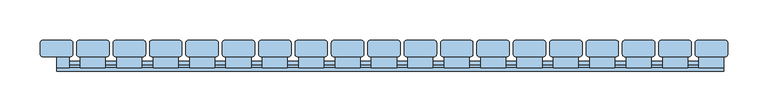
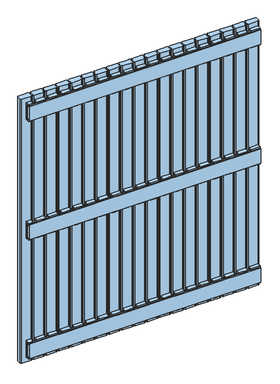
"""IFC4 building model written with IfcOpenShell, lengths in millimetres: window geometry."""

from ifc_helpers import new_model, si_unit, point, frame, frame_2d, origin, place, context, project, spatial, polyline, circle_curve, trimmed, segment, composite_curve, outline, extrude, source, transform, mapped, element, save


def window_81a24db8(model_context):
    return source(origin(), model_context, "Body", "SweptSolid", [
        extrude(outline(polyline([(54.1, 625.0936804), (49.9, 625.0936804), (49.9, 621.0936804), (46.1, 621.0936804), (46.1, 629.0), (60.0, 629.0), (60.0, 566.0), (46.1, 566.0), (46.1, 573.9063196), (49.9, 573.9063196), (49.9, 569.9063196), (54.1, 569.9063196), (54.1, 625.0936804)])), frame((322.0, 0.0, 0.0), z_axis=(1.0, 0.0, 0.0), x_axis=(0.0, 1.0, 0.0)), (0.0, 0.0, 1.0), 31.0),
        extrude(outline(polyline([(54.0, 1017.9063196), (54.0, 1073.0936804), (49.8, 1073.0936804), (49.8, 1069.0936804), (46.0, 1069.0936804), (46.0, 1077.0), (59.9, 1077.0), (59.9, 1014.0), (46.0, 1014.0), (46.0, 1021.9063196), (49.8, 1021.9063196), (49.8, 1017.9063196), (54.0, 1017.9063196)])), frame((322.0, 0.0, 0.0), z_axis=(1.0, 0.0, 0.0), x_axis=(0.0, 1.0, 0.0)), (0.0, 0.0, 1.0), 31.0),
        extrude(outline(polyline([(54.0, 177.0936804), (49.8, 177.0936804), (49.8, 173.0936804), (46.0, 173.0936804), (46.0, 181.0), (59.9, 181.0), (59.9, 118.0), (46.0, 118.0), (46.0, 125.9063196), (49.8, 125.9063196), (49.8, 121.9063196), (54.0, 121.9063196), (54.0, 177.0936804)])), frame((322.0, 0.0, 0.0), z_axis=(1.0, 0.0, 0.0), x_axis=(0.0, 1.0, 0.0)), (0.0, 0.0, 1.0), 31.0),
        extrude(outline(polyline([(54.1, 625.0936804), (49.9, 625.0936804), (49.9, 621.0936804), (46.1, 621.0936804), (46.1, 629.0), (60.0, 629.0), (60.0, 566.0), (46.1, 566.0), (46.1, 573.9063196), (49.9, 573.9063196), (49.9, 569.9063196), (54.1, 569.9063196), (54.1, 625.0936804)])), frame((277.0, 0.0, 0.0), z_axis=(1.0, 0.0, 0.0), x_axis=(0.0, 1.0, 0.0)), (0.0, 0.0, 1.0), 31.0),
        extrude(outline(polyline([(54.0, 1017.9063196), (54.0, 1073.0936804), (49.8, 1073.0936804), (49.8, 1069.0936804), (46.0, 1069.0936804), (46.0, 1077.0), (59.9, 1077.0), (59.9, 1014.0), (46.0, 1014.0), (46.0, 1021.9063196), (49.8, 1021.9063196), (49.8, 1017.9063196), (54.0, 1017.9063196)])), frame((277.0, 0.0, 0.0), z_axis=(1.0, 0.0, 0.0), x_axis=(0.0, 1.0, 0.0)), (0.0, 0.0, 1.0), 31.0),
        extrude(outline(polyline([(54.0, 177.0936804), (49.8, 177.0936804), (49.8, 173.0936804), (46.0, 173.0936804), (46.0, 181.0), (59.9, 181.0), (59.9, 118.0), (46.0, 118.0), (46.0, 125.9063196), (49.8, 125.9063196), (49.8, 121.9063196), (54.0, 121.9063196), (54.0, 177.0936804)])), frame((277.0, 0.0, 0.0), z_axis=(1.0, 0.0, 0.0), x_axis=(0.0, 1.0, 0.0)), (0.0, 0.0, 1.0), 31.0),
        extrude(outline(polyline([(54.1, 625.0936804), (49.9, 625.0936804), (49.9, 621.0936804), (46.1, 621.0936804), (46.1, 629.0), (60.0, 629.0), (60.0, 566.0), (46.1, 566.0), (46.1, 573.9063196), (49.9, 573.9063196), (49.9, 569.9063196), (54.1, 569.9063196), (54.1, 625.0936804)])), frame((232.0, 0.0, 0.0), z_axis=(1.0, 0.0, 0.0), x_axis=(0.0, 1.0, 0.0)), (0.0, 0.0, 1.0), 31.0),
        extrude(outline(polyline([(54.0, 1017.9063196), (54.0, 1073.0936804), (49.8, 1073.0936804), (49.8, 1069.0936804), (46.0, 1069.0936804), (46.0, 1077.0), (59.9, 1077.0), (59.9, 1014.0), (46.0, 1014.0), (46.0, 1021.9063196), (49.8, 1021.9063196), (49.8, 1017.9063196), (54.0, 1017.9063196)])), frame((232.0, 0.0, 0.0), z_axis=(1.0, 0.0, 0.0), x_axis=(0.0, 1.0, 0.0)), (0.0, 0.0, 1.0), 31.0),
        extrude(outline(polyline([(54.0, 177.0936804), (49.8, 177.0936804), (49.8, 173.0936804), (46.0, 173.0936804), (46.0, 181.0), (59.9, 181.0), (59.9, 118.0), (46.0, 118.0), (46.0, 125.9063196), (49.8, 125.9063196), (49.8, 121.9063196), (54.0, 121.9063196), (54.0, 177.0936804)])), frame((232.0, 0.0, 0.0), z_axis=(1.0, 0.0, 0.0), x_axis=(0.0, 1.0, 0.0)), (0.0, 0.0, 1.0), 31.0),
        extrude(outline(polyline([(54.1, 625.0936804), (49.9, 625.0936804), (49.9, 621.0936804), (46.1, 621.0936804), (46.1, 629.0), (60.0, 629.0), (60.0, 566.0), (46.1, 566.0), (46.1, 573.9063196), (49.9, 573.9063196), (49.9, 569.9063196), (54.1, 569.9063196), (54.1, 625.0936804)])), frame((187.0, 0.0, 0.0), z_axis=(1.0, 0.0, 0.0), x_axis=(0.0, 1.0, 0.0)), (0.0, 0.0, 1.0), 31.0),
        extrude(outline(polyline([(54.0, 1017.9063196), (54.0, 1073.0936804), (49.8, 1073.0936804), (49.8, 1069.0936804), (46.0, 1069.0936804), (46.0, 1077.0), (59.9, 1077.0), (59.9, 1014.0), (46.0, 1014.0), (46.0, 1021.9063196), (49.8, 1021.9063196), (49.8, 1017.9063196), (54.0, 1017.9063196)])), frame((187.0, 0.0, 0.0), z_axis=(1.0, 0.0, 0.0), x_axis=(0.0, 1.0, 0.0)), (0.0, 0.0, 1.0), 31.0),
        extrude(outline(polyline([(54.0, 177.0936804), (49.8, 177.0936804), (49.8, 173.0936804), (46.0, 173.0936804), (46.0, 181.0), (59.9, 181.0), (59.9, 118.0), (46.0, 118.0), (46.0, 125.9063196), (49.8, 125.9063196), (49.8, 121.9063196), (54.0, 121.9063196), (54.0, 177.0936804)])), frame((187.0, 0.0, 0.0), z_axis=(1.0, 0.0, 0.0), x_axis=(0.0, 1.0, 0.0)), (0.0, 0.0, 1.0), 31.0),
        extrude(outline(polyline([(54.1, 625.0936804), (49.9, 625.0936804), (49.9, 621.0936804), (46.1, 621.0936804), (46.1, 629.0), (60.0, 629.0), (60.0, 566.0), (46.1, 566.0), (46.1, 573.9063196), (49.9, 573.9063196), (49.9, 569.9063196), (54.1, 569.9063196), (54.1, 625.0936804)])), frame((142.0, 0.0, 0.0), z_axis=(1.0, 0.0, 0.0), x_axis=(0.0, 1.0, 0.0)), (0.0, 0.0, 1.0), 31.0),
        extrude(outline(polyline([(54.0, 1017.9063196), (54.0, 1073.0936804), (49.8, 1073.0936804), (49.8, 1069.0936804), (46.0, 1069.0936804), (46.0, 1077.0), (59.9, 1077.0), (59.9, 1014.0), (46.0, 1014.0), (46.0, 1021.9063196), (49.8, 1021.9063196), (49.8, 1017.9063196), (54.0, 1017.9063196)])), frame((142.0, 0.0, 0.0), z_axis=(1.0, 0.0, 0.0), x_axis=(0.0, 1.0, 0.0)), (0.0, 0.0, 1.0), 31.0),
        extrude(outline(polyline([(54.0, 177.0936804), (49.8, 177.0936804), (49.8, 173.0936804), (46.0, 173.0936804), (46.0, 181.0), (59.9, 181.0), (59.9, 118.0), (46.0, 118.0), (46.0, 125.9063196), (49.8, 125.9063196), (49.8, 121.9063196), (54.0, 121.9063196), (54.0, 177.0936804)])), frame((142.0, 0.0, 0.0), z_axis=(1.0, 0.0, 0.0), x_axis=(0.0, 1.0, 0.0)), (0.0, 0.0, 1.0), 31.0),
        extrude(outline(polyline([(54.1, 625.0936804), (49.9, 625.0936804), (49.9, 621.0936804), (46.1, 621.0936804), (46.1, 629.0), (60.0, 629.0), (60.0, 566.0), (46.1, 566.0), (46.1, 573.9063196), (49.9, 573.9063196), (49.9, 569.9063196), (54.1, 569.9063196), (54.1, 625.0936804)])), frame((97.0, 0.0, 0.0), z_axis=(1.0, 0.0, 0.0), x_axis=(0.0, 1.0, 0.0)), (0.0, 0.0, 1.0), 31.0),
        extrude(outline(polyline([(54.0, 1017.9063196), (54.0, 1073.0936804), (49.8, 1073.0936804), (49.8, 1069.0936804), (46.0, 1069.0936804), (46.0, 1077.0), (59.9, 1077.0), (59.9, 1014.0), (46.0, 1014.0), (46.0, 1021.9063196), (49.8, 1021.9063196), (49.8, 1017.9063196), (54.0, 1017.9063196)])), frame((97.0, 0.0, 0.0), z_axis=(1.0, 0.0, 0.0), x_axis=(0.0, 1.0, 0.0)), (0.0, 0.0, 1.0), 31.0),
        extrude(outline(polyline([(54.0, 177.0936804), (49.8, 177.0936804), (49.8, 173.0936804), (46.0, 173.0936804), (46.0, 181.0), (59.9, 181.0), (59.9, 118.0), (46.0, 118.0), (46.0, 125.9063196), (49.8, 125.9063196), (49.8, 121.9063196), (54.0, 121.9063196), (54.0, 177.0936804)])), frame((97.0, 0.0, 0.0), z_axis=(1.0, 0.0, 0.0), x_axis=(0.0, 1.0, 0.0)), (0.0, 0.0, 1.0), 31.0),
        extrude(outline(polyline([(54.1, 625.0936804), (49.9, 625.0936804), (49.9, 621.0936804), (46.1, 621.0936804), (46.1, 629.0), (60.0, 629.0), (60.0, 566.0), (46.1, 566.0), (46.1, 573.9063196), (49.9, 573.9063196), (49.9, 569.9063196), (54.1, 569.9063196), (54.1, 625.0936804)])), frame((52.0, 0.0, 0.0), z_axis=(1.0, 0.0, 0.0), x_axis=(0.0, 1.0, 0.0)), (0.0, 0.0, 1.0), 31.0),
        extrude(outline(polyline([(54.0, 1017.9063196), (54.0, 1073.0936804), (49.8, 1073.0936804), (49.8, 1069.0936804), (46.0, 1069.0936804), (46.0, 1077.0), (59.9, 1077.0), (59.9, 1014.0), (46.0, 1014.0), (46.0, 1021.9063196), (49.8, 1021.9063196), (49.8, 1017.9063196), (54.0, 1017.9063196)])), frame((52.0, 0.0, 0.0), z_axis=(1.0, 0.0, 0.0), x_axis=(0.0, 1.0, 0.0)), (0.0, 0.0, 1.0), 31.0),
        extrude(outline(polyline([(54.0, 177.0936804), (49.8, 177.0936804), (49.8, 173.0936804), (46.0, 173.0936804), (46.0, 181.0), (59.9, 181.0), (59.9, 118.0), (46.0, 118.0), (46.0, 125.9063196), (49.8, 125.9063196), (49.8, 121.9063196), (54.0, 121.9063196), (54.0, 177.0936804)])), frame((52.0, 0.0, 0.0), z_axis=(1.0, 0.0, 0.0), x_axis=(0.0, 1.0, 0.0)), (0.0, 0.0, 1.0), 31.0),
        extrude(outline(polyline([(54.1, 625.0936804), (49.9, 625.0936804), (49.9, 621.0936804), (46.1, 621.0936804), (46.1, 629.0), (60.0, 629.0), (60.0, 566.0), (46.1, 566.0), (46.1, 573.9063196), (49.9, 573.9063196), (49.9, 569.9063196), (54.1, 569.9063196), (54.1, 625.0936804)])), frame((7.0, 0.0, 0.0), z_axis=(1.0, 0.0, 0.0), x_axis=(0.0, 1.0, 0.0)), (0.0, 0.0, 1.0), 31.0),
        extrude(outline(polyline([(54.0, 1017.9063196), (54.0, 1073.0936804), (49.8, 1073.0936804), (49.8, 1069.0936804), (46.0, 1069.0936804), (46.0, 1077.0), (59.9, 1077.0), (59.9, 1014.0), (46.0, 1014.0), (46.0, 1021.9063196), (49.8, 1021.9063196), (49.8, 1017.9063196), (54.0, 1017.9063196)])), frame((7.0, 0.0, 0.0), z_axis=(1.0, 0.0, 0.0), x_axis=(0.0, 1.0, 0.0)), (0.0, 0.0, 1.0), 31.0),
        extrude(outline(polyline([(54.0, 177.0936804), (49.8, 177.0936804), (49.8, 173.0936804), (46.0, 173.0936804), (46.0, 181.0), (59.9, 181.0), (59.9, 118.0), (46.0, 118.0), (46.0, 125.9063196), (49.8, 125.9063196), (49.8, 121.9063196), (54.0, 121.9063196), (54.0, 177.0936804)])), frame((7.0, 0.0, 0.0), z_axis=(1.0, 0.0, 0.0), x_axis=(0.0, 1.0, 0.0)), (0.0, 0.0, 1.0), 31.0),
        extrude(outline(polyline([(54.1, 625.0936804), (49.9, 625.0936804), (49.9, 621.0936804), (46.1, 621.0936804), (46.1, 629.0), (60.0, 629.0), (60.0, 566.0), (46.1, 566.0), (46.1, 573.9063196), (49.9, 573.9063196), (49.9, 569.9063196), (54.1, 569.9063196), (54.1, 625.0936804)])), frame((-38.0, 0.0, 0.0), z_axis=(1.0, 0.0, 0.0), x_axis=(0.0, 1.0, 0.0)), (0.0, 0.0, 1.0), 31.0),
        extrude(outline(polyline([(54.0, 1017.9063196), (54.0, 1073.0936804), (49.8, 1073.0936804), (49.8, 1069.0936804), (46.0, 1069.0936804), (46.0, 1077.0), (59.9, 1077.0), (59.9, 1014.0), (46.0, 1014.0), (46.0, 1021.9063196), (49.8, 1021.9063196), (49.8, 1017.9063196), (54.0, 1017.9063196)])), frame((-38.0, 0.0, 0.0), z_axis=(1.0, 0.0, 0.0), x_axis=(0.0, 1.0, 0.0)), (0.0, 0.0, 1.0), 31.0),
        extrude(outline(polyline([(54.0, 177.0936804), (49.8, 177.0936804), (49.8, 173.0936804), (46.0, 173.0936804), (46.0, 181.0), (59.9, 181.0), (59.9, 118.0), (46.0, 118.0), (46.0, 125.9063196), (49.8, 125.9063196), (49.8, 121.9063196), (54.0, 121.9063196), (54.0, 177.0936804)])), frame((-38.0, 0.0, 0.0), z_axis=(1.0, 0.0, 0.0), x_axis=(0.0, 1.0, 0.0)), (0.0, 0.0, 1.0), 31.0),
        extrude(outline(polyline([(54.1, 625.0936804), (49.9, 625.0936804), (49.9, 621.0936804), (46.1, 621.0936804), (46.1, 629.0), (60.0, 629.0), (60.0, 566.0), (46.1, 566.0), (46.1, 573.9063196), (49.9, 573.9063196), (49.9, 569.9063196), (54.1, 569.9063196), (54.1, 625.0936804)])), frame((-83.0, 0.0, 0.0), z_axis=(1.0, 0.0, 0.0), x_axis=(0.0, 1.0, 0.0)), (0.0, 0.0, 1.0), 31.0),
        extrude(outline(polyline([(54.0, 1017.9063196), (54.0, 1073.0936804), (49.8, 1073.0936804), (49.8, 1069.0936804), (46.0, 1069.0936804), (46.0, 1077.0), (59.9, 1077.0), (59.9, 1014.0), (46.0, 1014.0), (46.0, 1021.9063196), (49.8, 1021.9063196), (49.8, 1017.9063196), (54.0, 1017.9063196)])), frame((-83.0, 0.0, 0.0), z_axis=(1.0, 0.0, 0.0), x_axis=(0.0, 1.0, 0.0)), (0.0, 0.0, 1.0), 31.0),
        extrude(outline(polyline([(54.0, 177.0936804), (49.8, 177.0936804), (49.8, 173.0936804), (46.0, 173.0936804), (46.0, 181.0), (59.9, 181.0), (59.9, 118.0), (46.0, 118.0), (46.0, 125.9063196), (49.8, 125.9063196), (49.8, 121.9063196), (54.0, 121.9063196), (54.0, 177.0936804)])), frame((-83.0, 0.0, 0.0), z_axis=(1.0, 0.0, 0.0), x_axis=(0.0, 1.0, 0.0)), (0.0, 0.0, 1.0), 31.0),
        extrude(outline(polyline([(54.1, 625.0936804), (49.9, 625.0936804), (49.9, 621.0936804), (46.1, 621.0936804), (46.1, 629.0), (60.0, 629.0), (60.0, 566.0), (46.1, 566.0), (46.1, 573.9063196), (49.9, 573.9063196), (49.9, 569.9063196), (54.1, 569.9063196), (54.1, 625.0936804)])), frame((-128.0, 0.0, 0.0), z_axis=(1.0, 0.0, 0.0), x_axis=(0.0, 1.0, 0.0)), (0.0, 0.0, 1.0), 31.0),
        extrude(outline(polyline([(54.0, 1017.9063196), (54.0, 1073.0936804), (49.8, 1073.0936804), (49.8, 1069.0936804), (46.0, 1069.0936804), (46.0, 1077.0), (59.9, 1077.0), (59.9, 1014.0), (46.0, 1014.0), (46.0, 1021.9063196), (49.8, 1021.9063196), (49.8, 1017.9063196), (54.0, 1017.9063196)])), frame((-128.0, 0.0, 0.0), z_axis=(1.0, 0.0, 0.0), x_axis=(0.0, 1.0, 0.0)), (0.0, 0.0, 1.0), 31.0),
        extrude(outline(polyline([(54.0, 177.0936804), (49.8, 177.0936804), (49.8, 173.0936804), (46.0, 173.0936804), (46.0, 181.0), (59.9, 181.0), (59.9, 118.0), (46.0, 118.0), (46.0, 125.9063196), (49.8, 125.9063196), (49.8, 121.9063196), (54.0, 121.9063196), (54.0, 177.0936804)])), frame((-128.0, 0.0, 0.0), z_axis=(1.0, 0.0, 0.0), x_axis=(0.0, 1.0, 0.0)), (0.0, 0.0, 1.0), 31.0),
        extrude(outline(polyline([(54.1, 625.0936804), (49.9, 625.0936804), (49.9, 621.0936804), (46.1, 621.0936804), (46.1, 629.0), (60.0, 629.0), (60.0, 566.0), (46.1, 566.0), (46.1, 573.9063196), (49.9, 573.9063196), (49.9, 569.9063196), (54.1, 569.9063196), (54.1, 625.0936804)])), frame((-173.0, 0.0, 0.0), z_axis=(1.0, 0.0, 0.0), x_axis=(0.0, 1.0, 0.0)), (0.0, 0.0, 1.0), 31.0),
        extrude(outline(polyline([(54.0, 1017.9063196), (54.0, 1073.0936804), (49.8, 1073.0936804), (49.8, 1069.0936804), (46.0, 1069.0936804), (46.0, 1077.0), (59.9, 1077.0), (59.9, 1014.0), (46.0, 1014.0), (46.0, 1021.9063196), (49.8, 1021.9063196), (49.8, 1017.9063196), (54.0, 1017.9063196)])), frame((-173.0, 0.0, 0.0), z_axis=(1.0, 0.0, 0.0), x_axis=(0.0, 1.0, 0.0)), (0.0, 0.0, 1.0), 31.0),
        extrude(outline(polyline([(54.0, 177.0936804), (49.8, 177.0936804), (49.8, 173.0936804), (46.0, 173.0936804), (46.0, 181.0), (59.9, 181.0), (59.9, 118.0), (46.0, 118.0), (46.0, 125.9063196), (49.8, 125.9063196), (49.8, 121.9063196), (54.0, 121.9063196), (54.0, 177.0936804)])), frame((-173.0, 0.0, 0.0), z_axis=(1.0, 0.0, 0.0), x_axis=(0.0, 1.0, 0.0)), (0.0, 0.0, 1.0), 31.0),
        extrude(outline(polyline([(54.1, 625.0936804), (49.9, 625.0936804), (49.9, 621.0936804), (46.1, 621.0936804), (46.1, 629.0), (60.0, 629.0), (60.0, 566.0), (46.1, 566.0), (46.1, 573.9063196), (49.9, 573.9063196), (49.9, 569.9063196), (54.1, 569.9063196), (54.1, 625.0936804)])), frame((-218.0, 0.0, 0.0), z_axis=(1.0, 0.0, 0.0), x_axis=(0.0, 1.0, 0.0)), (0.0, 0.0, 1.0), 31.0),
        extrude(outline(polyline([(54.0, 1017.9063196), (54.0, 1073.0936804), (49.8, 1073.0936804), (49.8, 1069.0936804), (46.0, 1069.0936804), (46.0, 1077.0), (59.9, 1077.0), (59.9, 1014.0), (46.0, 1014.0), (46.0, 1021.9063196), (49.8, 1021.9063196), (49.8, 1017.9063196), (54.0, 1017.9063196)])), frame((-218.0, 0.0, 0.0), z_axis=(1.0, 0.0, 0.0), x_axis=(0.0, 1.0, 0.0)), (0.0, 0.0, 1.0), 31.0),
        extrude(outline(polyline([(54.0, 177.0936804), (49.8, 177.0936804), (49.8, 173.0936804), (46.0, 173.0936804), (46.0, 181.0), (59.9, 181.0), (59.9, 118.0), (46.0, 118.0), (46.0, 125.9063196), (49.8, 125.9063196), (49.8, 121.9063196), (54.0, 121.9063196), (54.0, 177.0936804)])), frame((-218.0, 0.0, 0.0), z_axis=(1.0, 0.0, 0.0), x_axis=(0.0, 1.0, 0.0)), (0.0, 0.0, 1.0), 31.0),
        extrude(outline(polyline([(54.1, 625.0936804), (49.9, 625.0936804), (49.9, 621.0936804), (46.1, 621.0936804), (46.1, 629.0), (60.0, 629.0), (60.0, 566.0), (46.1, 566.0), (46.1, 573.9063196), (49.9, 573.9063196), (49.9, 569.9063196), (54.1, 569.9063196), (54.1, 625.0936804)])), frame((-263.0, 0.0, 0.0), z_axis=(1.0, 0.0, 0.0), x_axis=(0.0, 1.0, 0.0)), (0.0, 0.0, 1.0), 31.0),
        extrude(outline(polyline([(54.0, 1017.9063196), (54.0, 1073.0936804), (49.8, 1073.0936804), (49.8, 1069.0936804), (46.0, 1069.0936804), (46.0, 1077.0), (59.9, 1077.0), (59.9, 1014.0), (46.0, 1014.0), (46.0, 1021.9063196), (49.8, 1021.9063196), (49.8, 1017.9063196), (54.0, 1017.9063196)])), frame((-263.0, 0.0, 0.0), z_axis=(1.0, 0.0, 0.0), x_axis=(0.0, 1.0, 0.0)), (0.0, 0.0, 1.0), 31.0),
        extrude(outline(polyline([(54.0, 177.0936804), (49.8, 177.0936804), (49.8, 173.0936804), (46.0, 173.0936804), (46.0, 181.0), (59.9, 181.0), (59.9, 118.0), (46.0, 118.0), (46.0, 125.9063196), (49.8, 125.9063196), (49.8, 121.9063196), (54.0, 121.9063196), (54.0, 177.0936804)])), frame((-263.0, 0.0, 0.0), z_axis=(1.0, 0.0, 0.0), x_axis=(0.0, 1.0, 0.0)), (0.0, 0.0, 1.0), 31.0),
        extrude(outline(polyline([(54.1, 625.0936804), (49.9, 625.0936804), (49.9, 621.0936804), (46.1, 621.0936804), (46.1, 629.0), (60.0, 629.0), (60.0, 566.0), (46.1, 566.0), (46.1, 573.9063196), (49.9, 573.9063196), (49.9, 569.9063196), (54.1, 569.9063196), (54.1, 625.0936804)])), frame((-308.0, 0.0, 0.0), z_axis=(1.0, 0.0, 0.0), x_axis=(0.0, 1.0, 0.0)), (0.0, 0.0, 1.0), 31.0),
        extrude(outline(polyline([(54.0, 1017.9063196), (54.0, 1073.0936804), (49.8, 1073.0936804), (49.8, 1069.0936804), (46.0, 1069.0936804), (46.0, 1077.0), (59.9, 1077.0), (59.9, 1014.0), (46.0, 1014.0), (46.0, 1021.9063196), (49.8, 1021.9063196), (49.8, 1017.9063196), (54.0, 1017.9063196)])), frame((-308.0, 0.0, 0.0), z_axis=(1.0, 0.0, 0.0), x_axis=(0.0, 1.0, 0.0)), (0.0, 0.0, 1.0), 31.0),
        extrude(outline(polyline([(54.0, 177.0936804), (49.8, 177.0936804), (49.8, 173.0936804), (46.0, 173.0936804), (46.0, 181.0), (59.9, 181.0), (59.9, 118.0), (46.0, 118.0), (46.0, 125.9063196), (49.8, 125.9063196), (49.8, 121.9063196), (54.0, 121.9063196), (54.0, 177.0936804)])), frame((-308.0, 0.0, 0.0), z_axis=(1.0, 0.0, 0.0), x_axis=(0.0, 1.0, 0.0)), (0.0, 0.0, 1.0), 31.0),
        extrude(outline(polyline([(54.1, 625.0936804), (49.9, 625.0936804), (49.9, 621.0936804), (46.1, 621.0936804), (46.1, 629.0), (60.0, 629.0), (60.0, 566.0), (46.1, 566.0), (46.1, 573.9063196), (49.9, 573.9063196), (49.9, 569.9063196), (54.1, 569.9063196), (54.1, 625.0936804)])), frame((-353.0, 0.0, 0.0), z_axis=(1.0, 0.0, 0.0), x_axis=(0.0, 1.0, 0.0)), (0.0, 0.0, 1.0), 31.0),
        extrude(outline(polyline([(54.0, 1017.9063196), (54.0, 1073.0936804), (49.8, 1073.0936804), (49.8, 1069.0936804), (46.0, 1069.0936804), (46.0, 1077.0), (59.9, 1077.0), (59.9, 1014.0), (46.0, 1014.0), (46.0, 1021.9063196), (49.8, 1021.9063196), (49.8, 1017.9063196), (54.0, 1017.9063196)])), frame((-353.0, 0.0, 0.0), z_axis=(1.0, 0.0, 0.0), x_axis=(0.0, 1.0, 0.0)), (0.0, 0.0, 1.0), 31.0),
        extrude(outline(polyline([(54.0, 177.0936804), (49.8, 177.0936804), (49.8, 173.0936804), (46.0, 173.0936804), (46.0, 181.0), (59.9, 181.0), (59.9, 118.0), (46.0, 118.0), (46.0, 125.9063196), (49.8, 125.9063196), (49.8, 121.9063196), (54.0, 121.9063196), (54.0, 177.0936804)])), frame((-353.0, 0.0, 0.0), z_axis=(1.0, 0.0, 0.0), x_axis=(0.0, 1.0, 0.0)), (0.0, 0.0, 1.0), 31.0),
        extrude(outline(polyline([(54.1, 625.0936804), (49.9, 625.0936804), (49.9, 621.0936804), (46.1, 621.0936804), (46.1, 629.0), (60.0, 629.0), (60.0, 566.0), (46.1, 566.0), (46.1, 573.9063196), (49.9, 573.9063196), (49.9, 569.9063196), (54.1, 569.9063196), (54.1, 625.0936804)])), frame((-398.0, 0.0, 0.0), z_axis=(1.0, 0.0, 0.0), x_axis=(0.0, 1.0, 0.0)), (0.0, 0.0, 1.0), 31.0),
        extrude(outline(polyline([(54.0, 1017.9063196), (54.0, 1073.0936804), (49.8, 1073.0936804), (49.8, 1069.0936804), (46.0, 1069.0936804), (46.0, 1077.0), (59.9, 1077.0), (59.9, 1014.0), (46.0, 1014.0), (46.0, 1021.9063196), (49.8, 1021.9063196), (49.8, 1017.9063196), (54.0, 1017.9063196)])), frame((-398.0, 0.0, 0.0), z_axis=(1.0, 0.0, 0.0), x_axis=(0.0, 1.0, 0.0)), (0.0, 0.0, 1.0), 31.0),
        extrude(outline(polyline([(54.0, 177.0936804), (49.8, 177.0936804), (49.8, 173.0936804), (46.0, 173.0936804), (46.0, 181.0), (59.9, 181.0), (59.9, 118.0), (46.0, 118.0), (46.0, 125.9063196), (49.8, 125.9063196), (49.8, 121.9063196), (54.0, 121.9063196), (54.0, 177.0936804)])), frame((-398.0, 0.0, 0.0), z_axis=(1.0, 0.0, 0.0), x_axis=(0.0, 1.0, 0.0)), (0.0, 0.0, 1.0), 31.0),
        extrude(outline(polyline([(54.1, 569.9063196), (54.1, 625.0936804), (49.9, 625.0936804), (49.9, 621.0936804), (46.1, 621.0936804), (46.1, 629.0), (60.0, 629.0), (60.0, 566.0), (46.1, 566.0), (46.1, 573.9063196), (49.9, 573.9063196), (49.9, 569.9063196), (54.1, 569.9063196)])), frame((367.0, 0.0, 0.0), z_axis=(1.0, 0.0, 0.0), x_axis=(0.0, 1.0, 0.0)), (0.0, 0.0, 1.0), 31.0),
        extrude(outline(polyline([(54.0, 1017.9063196), (54.0, 1073.0936804), (49.8, 1073.0936804), (49.8, 1069.0936804), (46.0, 1069.0936804), (46.0, 1077.0), (59.9, 1077.0), (59.9, 1014.0), (46.0, 1014.0), (46.0, 1021.9063196), (49.8, 1021.9063196), (49.8, 1017.9063196), (54.0, 1017.9063196)])), frame((367.0, 0.0, 0.0), z_axis=(1.0, 0.0, 0.0), x_axis=(0.0, 1.0, 0.0)), (0.0, 0.0, 1.0), 31.0),
        extrude(outline(polyline([(54.0, 177.0936804), (49.8, 177.0936804), (49.8, 173.0936804), (46.0, 173.0936804), (46.0, 181.0), (59.9, 181.0), (59.9, 118.0), (46.0, 118.0), (46.0, 125.9063196), (49.8, 125.9063196), (49.8, 121.9063196), (54.0, 121.9063196), (54.0, 177.0936804)])), frame((367.0, 0.0, 0.0), z_axis=(1.0, 0.0, 0.0), x_axis=(0.0, 1.0, 0.0)), (0.0, 0.0, 1.0), 31.0),
        extrude(outline(polyline([(54.1, 569.9063196), (54.1, 625.0936804), (49.9, 625.0936804), (49.9, 621.0936804), (46.1, 621.0936804), (46.1, 629.0), (60.0, 629.0), (60.0, 566.0), (46.1, 566.0), (46.1, 573.9063196), (49.9, 573.9063196), (49.9, 569.9063196), (54.1, 569.9063196)])), frame((-427.5378851, 0.0, 0.0), z_axis=(1.0, 0.0, 0.0), x_axis=(0.0, 1.0, 0.0)), (0.0, 0.0, 1.0), 15.5378851),
        extrude(outline(polyline([(54.0, 1017.9063196), (54.0, 1073.0936804), (49.8, 1073.0936804), (49.8, 1069.0936804), (46.0, 1069.0936804), (46.0, 1077.0), (59.9, 1077.0), (59.9, 1014.0), (46.0, 1014.0), (46.0, 1021.9063196), (49.8, 1021.9063196), (49.8, 1017.9063196), (54.0, 1017.9063196)])), frame((-427.5, 0.0, 0.0), z_axis=(1.0, 0.0, 0.0), x_axis=(0.0, 1.0, 0.0)), (0.0, 0.0, 1.0), 15.5),
        extrude(outline(polyline([(54.0, 177.0936804), (49.8, 177.0936804), (49.8, 173.0936804), (46.0, 173.0936804), (46.0, 181.0), (59.9, 181.0), (59.9, 118.0), (46.0, 118.0), (46.0, 125.9063196), (49.8, 125.9063196), (49.8, 121.9063196), (54.0, 121.9063196), (54.0, 177.0936804)])), frame((-427.5, 0.0, 0.0), z_axis=(1.0, 0.0, 0.0), x_axis=(0.0, 1.0, 0.0)), (0.0, 0.0, 1.0), 15.5),
        extrude(outline(polyline([(42.1, 625.0063196), (46.1, 625.0063196), (46.1, 621.0063196), (50.1, 621.0063196), (50.1, 625.0063196), (54.1, 625.0063196), (54.1, 620.0063196), (51.1, 620.0063196), (51.1, 615.0063196), (54.1, 615.0063196), (54.1, 602.5063196), (51.1, 602.5063196), (51.1, 592.5063196), (54.1, 592.5063196), (54.1, 580.0063196), (51.1, 580.0063196), (51.1, 575.0063196), (54.1, 575.0063196), (54.1, 570.0063196), (50.1, 570.0063196), (50.1, 574.0063196), (46.1, 574.0063196), (46.1, 570.0063196), (42.1, 570.0063196), (42.1, 625.0063196)])), frame((-427.5, 0.0, 0.0), z_axis=(1.0, 0.0, 0.0), x_axis=(0.0, 1.0, 0.0)), (0.0, 0.0, 1.0), 825.5),
        extrude(outline(polyline([(42.0, 1073.0), (46.0, 1073.0), (46.0, 1069.0), (50.0, 1069.0), (50.0, 1073.0), (54.0, 1073.0), (54.0, 1068.0), (51.0, 1068.0), (51.0, 1063.0), (54.0, 1063.0), (54.0, 1050.5), (51.0, 1050.5), (51.0, 1040.5), (54.0, 1040.5), (54.0, 1028.0), (51.0, 1028.0), (51.0, 1023.0), (54.0, 1023.0), (54.0, 1018.0), (50.0, 1018.0), (50.0, 1022.0), (46.0, 1022.0), (46.0, 1018.0), (42.0, 1018.0), (42.0, 1073.0)])), frame((-427.5, 0.0, 0.0), z_axis=(1.0, 0.0, 0.0), x_axis=(0.0, 1.0, 0.0)), (0.0, 0.0, 1.0), 825.5),
        extrude(outline(polyline([(42.0, 177.0), (46.0, 177.0), (46.0, 173.0), (50.0, 173.0), (50.0, 177.0), (54.0, 177.0), (54.0, 172.0), (51.0, 172.0), (51.0, 167.0), (54.0, 167.0), (54.0, 154.5), (51.0, 154.5), (51.0, 144.5), (54.0, 144.5), (54.0, 132.0), (51.0, 132.0), (51.0, 127.0), (54.0, 127.0), (54.0, 122.0), (50.0, 122.0), (50.0, 126.0), (46.0, 126.0), (46.0, 122.0), (42.0, 122.0), (42.0, 177.0)])), frame((-427.5, 0.0, 0.0), z_axis=(1.0, 0.0, 0.0), x_axis=(0.0, 1.0, 0.0)), (0.0, 0.0, 1.0), 825.5),
        extrude(outline(composite_curve([segment(polyline([(402.495806, 77.0), (402.495806, 63.0)]), True, "CONTINUOUS"), segment(trimmed(circle_curve(frame_2d((399.495806, 63.0)), 3.0), [point((402.495806, 63.0))], [point((399.495806, 60.0))], False, "CARTESIAN"), True, "CONTINUOUS"), segment(polyline([(399.495806, 60.0), (365.504194, 60.0)]), True, "CONTINUOUS"), segment(trimmed(circle_curve(frame_2d((365.504194, 63.0)), 3.0), [point((365.504194, 60.0))], [point((362.504194, 63.0))], False, "CARTESIAN"), True, "CONTINUOUS"), segment(polyline([(362.504194, 63.0), (362.504194, 77.0)]), True, "CONTINUOUS"), segment(trimmed(circle_curve(frame_2d((365.504194, 77.0)), 3.0), [point((362.504194, 77.0))], [point((365.504194, 80.0))], False, "CARTESIAN"), True, "CONTINUOUS"), segment(polyline([(365.504194, 80.0), (399.495806, 80.0)]), True, "CONTINUOUS"), segment(trimmed(circle_curve(frame_2d((399.495806, 77.0)), 3.0), [point((399.495806, 80.0))], [point((402.495806, 77.0))], False, "CARTESIAN"), True, "CONTINUOUS")], self_intersect=False)), frame((0.0, 0.0, 100.0), z_axis=(0.0, 0.0, 1.0), x_axis=(1.0, 0.0, 0.0)), (0.0, 0.0, 1.0), 995.0),
        extrude(outline(composite_curve([segment(polyline([(357.495806, 77.0), (357.495806, 63.0)]), True, "CONTINUOUS"), segment(trimmed(circle_curve(frame_2d((354.495806, 63.0)), 3.0), [point((357.495806, 63.0))], [point((354.495806, 60.0))], False, "CARTESIAN"), True, "CONTINUOUS"), segment(polyline([(354.495806, 60.0), (320.504194, 60.0)]), True, "CONTINUOUS"), segment(trimmed(circle_curve(frame_2d((320.504194, 63.0)), 3.0), [point((320.504194, 60.0))], [point((317.504194, 63.0))], False, "CARTESIAN"), True, "CONTINUOUS"), segment(polyline([(317.504194, 63.0), (317.504194, 77.0)]), True, "CONTINUOUS"), segment(trimmed(circle_curve(frame_2d((320.504194, 77.0)), 3.0), [point((317.504194, 77.0))], [point((320.504194, 80.0))], False, "CARTESIAN"), True, "CONTINUOUS"), segment(polyline([(320.504194, 80.0), (354.495806, 80.0)]), True, "CONTINUOUS"), segment(trimmed(circle_curve(frame_2d((354.495806, 77.0)), 3.0), [point((354.495806, 80.0))], [point((357.495806, 77.0))], False, "CARTESIAN"), True, "CONTINUOUS")], self_intersect=False)), frame((0.0, 0.0, 100.0), z_axis=(0.0, 0.0, 1.0), x_axis=(1.0, 0.0, 0.0)), (0.0, 0.0, 1.0), 995.0),
        extrude(outline(composite_curve([segment(polyline([(312.495806, 77.0), (312.495806, 63.0)]), True, "CONTINUOUS"), segment(trimmed(circle_curve(frame_2d((309.495806, 63.0)), 3.0), [point((312.495806, 63.0))], [point((309.495806, 60.0))], False, "CARTESIAN"), True, "CONTINUOUS"), segment(polyline([(309.495806, 60.0), (275.504194, 60.0)]), True, "CONTINUOUS"), segment(trimmed(circle_curve(frame_2d((275.504194, 63.0)), 3.0), [point((275.504194, 60.0))], [point((272.504194, 63.0))], False, "CARTESIAN"), True, "CONTINUOUS"), segment(polyline([(272.504194, 63.0), (272.504194, 77.0)]), True, "CONTINUOUS"), segment(trimmed(circle_curve(frame_2d((275.504194, 77.0)), 3.0), [point((272.504194, 77.0))], [point((275.504194, 80.0))], False, "CARTESIAN"), True, "CONTINUOUS"), segment(polyline([(275.504194, 80.0), (309.495806, 80.0)]), True, "CONTINUOUS"), segment(trimmed(circle_curve(frame_2d((309.495806, 77.0)), 3.0), [point((309.495806, 80.0))], [point((312.495806, 77.0))], False, "CARTESIAN"), True, "CONTINUOUS")], self_intersect=False)), frame((0.0, 0.0, 100.0), z_axis=(0.0, 0.0, 1.0), x_axis=(1.0, 0.0, 0.0)), (0.0, 0.0, 1.0), 995.0),
        extrude(outline(composite_curve([segment(polyline([(267.495806, 77.0), (267.495806, 63.0)]), True, "CONTINUOUS"), segment(trimmed(circle_curve(frame_2d((264.495806, 63.0)), 3.0), [point((267.495806, 63.0))], [point((264.495806, 60.0))], False, "CARTESIAN"), True, "CONTINUOUS"), segment(polyline([(264.495806, 60.0), (230.504194, 60.0)]), True, "CONTINUOUS"), segment(trimmed(circle_curve(frame_2d((230.504194, 63.0)), 3.0), [point((230.504194, 60.0))], [point((227.504194, 63.0))], False, "CARTESIAN"), True, "CONTINUOUS"), segment(polyline([(227.504194, 63.0), (227.504194, 77.0)]), True, "CONTINUOUS"), segment(trimmed(circle_curve(frame_2d((230.504194, 77.0)), 3.0), [point((227.504194, 77.0))], [point((230.504194, 80.0))], False, "CARTESIAN"), True, "CONTINUOUS"), segment(polyline([(230.504194, 80.0), (264.495806, 80.0)]), True, "CONTINUOUS"), segment(trimmed(circle_curve(frame_2d((264.495806, 77.0)), 3.0), [point((264.495806, 80.0))], [point((267.495806, 77.0))], False, "CARTESIAN"), True, "CONTINUOUS")], self_intersect=False)), frame((0.0, 0.0, 100.0), z_axis=(0.0, 0.0, 1.0), x_axis=(1.0, 0.0, 0.0)), (0.0, 0.0, 1.0), 995.0),
        extrude(outline(composite_curve([segment(polyline([(222.495806, 77.0), (222.495806, 63.0)]), True, "CONTINUOUS"), segment(trimmed(circle_curve(frame_2d((219.495806, 63.0)), 3.0), [point((222.495806, 63.0))], [point((219.495806, 60.0))], False, "CARTESIAN"), True, "CONTINUOUS"), segment(polyline([(219.495806, 60.0), (185.504194, 60.0)]), True, "CONTINUOUS"), segment(trimmed(circle_curve(frame_2d((185.504194, 63.0)), 3.0), [point((185.504194, 60.0))], [point((182.504194, 63.0))], False, "CARTESIAN"), True, "CONTINUOUS"), segment(polyline([(182.504194, 63.0), (182.504194, 77.0)]), True, "CONTINUOUS"), segment(trimmed(circle_curve(frame_2d((185.504194, 77.0)), 3.0), [point((182.504194, 77.0))], [point((185.504194, 80.0))], False, "CARTESIAN"), True, "CONTINUOUS"), segment(polyline([(185.504194, 80.0), (219.495806, 80.0)]), True, "CONTINUOUS"), segment(trimmed(circle_curve(frame_2d((219.495806, 77.0)), 3.0), [point((219.495806, 80.0))], [point((222.495806, 77.0))], False, "CARTESIAN"), True, "CONTINUOUS")], self_intersect=False)), frame((0.0, 0.0, 100.0), z_axis=(0.0, 0.0, 1.0), x_axis=(1.0, 0.0, 0.0)), (0.0, 0.0, 1.0), 995.0),
        extrude(outline(composite_curve([segment(polyline([(177.495806, 77.0), (177.495806, 63.0)]), True, "CONTINUOUS"), segment(trimmed(circle_curve(frame_2d((174.495806, 63.0)), 3.0), [point((177.495806, 63.0))], [point((174.495806, 60.0))], False, "CARTESIAN"), True, "CONTINUOUS"), segment(polyline([(174.495806, 60.0), (140.504194, 60.0)]), True, "CONTINUOUS"), segment(trimmed(circle_curve(frame_2d((140.504194, 63.0)), 3.0), [point((140.504194, 60.0))], [point((137.504194, 63.0))], False, "CARTESIAN"), True, "CONTINUOUS"), segment(polyline([(137.504194, 63.0), (137.504194, 77.0)]), True, "CONTINUOUS"), segment(trimmed(circle_curve(frame_2d((140.504194, 77.0)), 3.0), [point((137.504194, 77.0))], [point((140.504194, 80.0))], False, "CARTESIAN"), True, "CONTINUOUS"), segment(polyline([(140.504194, 80.0), (174.495806, 80.0)]), True, "CONTINUOUS"), segment(trimmed(circle_curve(frame_2d((174.495806, 77.0)), 3.0), [point((174.495806, 80.0))], [point((177.495806, 77.0))], False, "CARTESIAN"), True, "CONTINUOUS")], self_intersect=False)), frame((0.0, 0.0, 100.0), z_axis=(0.0, 0.0, 1.0), x_axis=(1.0, 0.0, 0.0)), (0.0, 0.0, 1.0), 995.0),
        extrude(outline(composite_curve([segment(polyline([(132.495806, 77.0), (132.495806, 63.0)]), True, "CONTINUOUS"), segment(trimmed(circle_curve(frame_2d((129.495806, 63.0)), 3.0), [point((132.495806, 63.0))], [point((129.495806, 60.0))], False, "CARTESIAN"), True, "CONTINUOUS"), segment(polyline([(129.495806, 60.0), (95.504194, 60.0)]), True, "CONTINUOUS"), segment(trimmed(circle_curve(frame_2d((95.504194, 63.0)), 3.0), [point((95.504194, 60.0))], [point((92.504194, 63.0))], False, "CARTESIAN"), True, "CONTINUOUS"), segment(polyline([(92.504194, 63.0), (92.504194, 77.0)]), True, "CONTINUOUS"), segment(trimmed(circle_curve(frame_2d((95.504194, 77.0)), 3.0), [point((92.504194, 77.0))], [point((95.504194, 80.0))], False, "CARTESIAN"), True, "CONTINUOUS"), segment(polyline([(95.504194, 80.0), (129.495806, 80.0)]), True, "CONTINUOUS"), segment(trimmed(circle_curve(frame_2d((129.495806, 77.0)), 3.0), [point((129.495806, 80.0))], [point((132.495806, 77.0))], False, "CARTESIAN"), True, "CONTINUOUS")], self_intersect=False)), frame((0.0, 0.0, 100.0), z_axis=(0.0, 0.0, 1.0), x_axis=(1.0, 0.0, 0.0)), (0.0, 0.0, 1.0), 995.0),
        extrude(outline(composite_curve([segment(polyline([(87.495806, 77.0), (87.495806, 63.0)]), True, "CONTINUOUS"), segment(trimmed(circle_curve(frame_2d((84.495806, 63.0)), 3.0), [point((87.495806, 63.0))], [point((84.495806, 60.0))], False, "CARTESIAN"), True, "CONTINUOUS"), segment(polyline([(84.495806, 60.0), (50.504194, 60.0)]), True, "CONTINUOUS"), segment(trimmed(circle_curve(frame_2d((50.504194, 63.0)), 3.0), [point((50.504194, 60.0))], [point((47.504194, 63.0))], False, "CARTESIAN"), True, "CONTINUOUS"), segment(polyline([(47.504194, 63.0), (47.504194, 77.0)]), True, "CONTINUOUS"), segment(trimmed(circle_curve(frame_2d((50.504194, 77.0)), 3.0), [point((47.504194, 77.0))], [point((50.504194, 80.0))], False, "CARTESIAN"), True, "CONTINUOUS"), segment(polyline([(50.504194, 80.0), (84.495806, 80.0)]), True, "CONTINUOUS"), segment(trimmed(circle_curve(frame_2d((84.495806, 77.0)), 3.0), [point((84.495806, 80.0))], [point((87.495806, 77.0))], False, "CARTESIAN"), True, "CONTINUOUS")], self_intersect=False)), frame((0.0, 0.0, 100.0), z_axis=(0.0, 0.0, 1.0), x_axis=(1.0, 0.0, 0.0)), (0.0, 0.0, 1.0), 995.0),
        extrude(outline(composite_curve([segment(polyline([(42.495806, 77.0), (42.495806, 63.0)]), True, "CONTINUOUS"), segment(trimmed(circle_curve(frame_2d((39.495806, 63.0)), 3.0), [point((42.495806, 63.0))], [point((39.495806, 60.0))], False, "CARTESIAN"), True, "CONTINUOUS"), segment(polyline([(39.495806, 60.0), (5.504194, 60.0)]), True, "CONTINUOUS"), segment(trimmed(circle_curve(frame_2d((5.504194, 63.0)), 3.0), [point((5.504194, 60.0))], [point((2.504194, 63.0))], False, "CARTESIAN"), True, "CONTINUOUS"), segment(polyline([(2.504194, 63.0), (2.504194, 77.0)]), True, "CONTINUOUS"), segment(trimmed(circle_curve(frame_2d((5.504194, 77.0)), 3.0), [point((2.504194, 77.0))], [point((5.504194, 80.0))], False, "CARTESIAN"), True, "CONTINUOUS"), segment(polyline([(5.504194, 80.0), (39.495806, 80.0)]), True, "CONTINUOUS"), segment(trimmed(circle_curve(frame_2d((39.495806, 77.0)), 3.0), [point((39.495806, 80.0))], [point((42.495806, 77.0))], False, "CARTESIAN"), True, "CONTINUOUS")], self_intersect=False)), frame((0.0, 0.0, 100.0), z_axis=(0.0, 0.0, 1.0), x_axis=(1.0, 0.0, 0.0)), (0.0, 0.0, 1.0), 995.0),
        extrude(outline(composite_curve([segment(polyline([(-2.504194, 77.0), (-2.504194, 63.0)]), True, "CONTINUOUS"), segment(trimmed(circle_curve(frame_2d((-5.504194, 63.0)), 3.0), [point((-2.504194, 63.0))], [point((-5.504194, 60.0))], False, "CARTESIAN"), True, "CONTINUOUS"), segment(polyline([(-5.504194, 60.0), (-39.495806, 60.0)]), True, "CONTINUOUS"), segment(trimmed(circle_curve(frame_2d((-39.495806, 63.0)), 3.0), [point((-39.495806, 60.0))], [point((-42.495806, 63.0))], False, "CARTESIAN"), True, "CONTINUOUS"), segment(polyline([(-42.495806, 63.0), (-42.495806, 77.0)]), True, "CONTINUOUS"), segment(trimmed(circle_curve(frame_2d((-39.495806, 77.0)), 3.0), [point((-42.495806, 77.0))], [point((-39.495806, 80.0))], False, "CARTESIAN"), True, "CONTINUOUS"), segment(polyline([(-39.495806, 80.0), (-5.504194, 80.0)]), True, "CONTINUOUS"), segment(trimmed(circle_curve(frame_2d((-5.504194, 77.0)), 3.0), [point((-5.504194, 80.0))], [point((-2.504194, 77.0))], False, "CARTESIAN"), True, "CONTINUOUS")], self_intersect=False)), frame((0.0, 0.0, 100.0), z_axis=(0.0, 0.0, 1.0), x_axis=(1.0, 0.0, 0.0)), (0.0, 0.0, 1.0), 995.0),
        extrude(outline(composite_curve([segment(polyline([(-47.504194, 77.0), (-47.504194, 63.0)]), True, "CONTINUOUS"), segment(trimmed(circle_curve(frame_2d((-50.504194, 63.0)), 3.0), [point((-47.504194, 63.0))], [point((-50.504194, 60.0))], False, "CARTESIAN"), True, "CONTINUOUS"), segment(polyline([(-50.504194, 60.0), (-84.495806, 60.0)]), True, "CONTINUOUS"), segment(trimmed(circle_curve(frame_2d((-84.495806, 63.0)), 3.0), [point((-84.495806, 60.0))], [point((-87.495806, 63.0))], False, "CARTESIAN"), True, "CONTINUOUS"), segment(polyline([(-87.495806, 63.0), (-87.495806, 77.0)]), True, "CONTINUOUS"), segment(trimmed(circle_curve(frame_2d((-84.495806, 77.0)), 3.0), [point((-87.495806, 77.0))], [point((-84.495806, 80.0))], False, "CARTESIAN"), True, "CONTINUOUS"), segment(polyline([(-84.495806, 80.0), (-50.504194, 80.0)]), True, "CONTINUOUS"), segment(trimmed(circle_curve(frame_2d((-50.504194, 77.0)), 3.0), [point((-50.504194, 80.0))], [point((-47.504194, 77.0))], False, "CARTESIAN"), True, "CONTINUOUS")], self_intersect=False)), frame((0.0, 0.0, 100.0), z_axis=(0.0, 0.0, 1.0), x_axis=(1.0, 0.0, 0.0)), (0.0, 0.0, 1.0), 995.0),
        extrude(outline(composite_curve([segment(polyline([(-92.504194, 77.0), (-92.504194, 63.0)]), True, "CONTINUOUS"), segment(trimmed(circle_curve(frame_2d((-95.504194, 63.0)), 3.0), [point((-92.504194, 63.0))], [point((-95.504194, 60.0))], False, "CARTESIAN"), True, "CONTINUOUS"), segment(polyline([(-95.504194, 60.0), (-129.495806, 60.0)]), True, "CONTINUOUS"), segment(trimmed(circle_curve(frame_2d((-129.495806, 63.0)), 3.0), [point((-129.495806, 60.0))], [point((-132.495806, 63.0))], False, "CARTESIAN"), True, "CONTINUOUS"), segment(polyline([(-132.495806, 63.0), (-132.495806, 77.0)]), True, "CONTINUOUS"), segment(trimmed(circle_curve(frame_2d((-129.495806, 77.0)), 3.0), [point((-132.495806, 77.0))], [point((-129.495806, 80.0))], False, "CARTESIAN"), True, "CONTINUOUS"), segment(polyline([(-129.495806, 80.0), (-95.504194, 80.0)]), True, "CONTINUOUS"), segment(trimmed(circle_curve(frame_2d((-95.504194, 77.0)), 3.0), [point((-95.504194, 80.0))], [point((-92.504194, 77.0))], False, "CARTESIAN"), True, "CONTINUOUS")], self_intersect=False)), frame((0.0, 0.0, 100.0), z_axis=(0.0, 0.0, 1.0), x_axis=(1.0, 0.0, 0.0)), (0.0, 0.0, 1.0), 995.0),
        extrude(outline(composite_curve([segment(polyline([(-137.504194, 77.0), (-137.504194, 63.0)]), True, "CONTINUOUS"), segment(trimmed(circle_curve(frame_2d((-140.504194, 63.0)), 3.0), [point((-137.504194, 63.0))], [point((-140.504194, 60.0))], False, "CARTESIAN"), True, "CONTINUOUS"), segment(polyline([(-140.504194, 60.0), (-174.495806, 60.0)]), True, "CONTINUOUS"), segment(trimmed(circle_curve(frame_2d((-174.495806, 63.0)), 3.0), [point((-174.495806, 60.0))], [point((-177.495806, 63.0))], False, "CARTESIAN"), True, "CONTINUOUS"), segment(polyline([(-177.495806, 63.0), (-177.495806, 77.0)]), True, "CONTINUOUS"), segment(trimmed(circle_curve(frame_2d((-174.495806, 77.0)), 3.0), [point((-177.495806, 77.0))], [point((-174.495806, 80.0))], False, "CARTESIAN"), True, "CONTINUOUS"), segment(polyline([(-174.495806, 80.0), (-140.504194, 80.0)]), True, "CONTINUOUS"), segment(trimmed(circle_curve(frame_2d((-140.504194, 77.0)), 3.0), [point((-140.504194, 80.0))], [point((-137.504194, 77.0))], False, "CARTESIAN"), True, "CONTINUOUS")], self_intersect=False)), frame((0.0, 0.0, 100.0), z_axis=(0.0, 0.0, 1.0), x_axis=(1.0, 0.0, 0.0)), (0.0, 0.0, 1.0), 995.0),
        extrude(outline(composite_curve([segment(polyline([(-182.504194, 77.0), (-182.504194, 63.0)]), True, "CONTINUOUS"), segment(trimmed(circle_curve(frame_2d((-185.504194, 63.0)), 3.0), [point((-182.504194, 63.0))], [point((-185.504194, 60.0))], False, "CARTESIAN"), True, "CONTINUOUS"), segment(polyline([(-185.504194, 60.0), (-219.495806, 60.0)]), True, "CONTINUOUS"), segment(trimmed(circle_curve(frame_2d((-219.495806, 63.0)), 3.0), [point((-219.495806, 60.0))], [point((-222.495806, 63.0))], False, "CARTESIAN"), True, "CONTINUOUS"), segment(polyline([(-222.495806, 63.0), (-222.495806, 77.0)]), True, "CONTINUOUS"), segment(trimmed(circle_curve(frame_2d((-219.495806, 77.0)), 3.0), [point((-222.495806, 77.0))], [point((-219.495806, 80.0))], False, "CARTESIAN"), True, "CONTINUOUS"), segment(polyline([(-219.495806, 80.0), (-185.504194, 80.0)]), True, "CONTINUOUS"), segment(trimmed(circle_curve(frame_2d((-185.504194, 77.0)), 3.0), [point((-185.504194, 80.0))], [point((-182.504194, 77.0))], False, "CARTESIAN"), True, "CONTINUOUS")], self_intersect=False)), frame((0.0, 0.0, 100.0), z_axis=(0.0, 0.0, 1.0), x_axis=(1.0, 0.0, 0.0)), (0.0, 0.0, 1.0), 995.0),
        extrude(outline(composite_curve([segment(polyline([(-227.504194, 77.0), (-227.504194, 63.0)]), True, "CONTINUOUS"), segment(trimmed(circle_curve(frame_2d((-230.504194, 63.0)), 3.0), [point((-227.504194, 63.0))], [point((-230.504194, 60.0))], False, "CARTESIAN"), True, "CONTINUOUS"), segment(polyline([(-230.504194, 60.0), (-264.495806, 60.0)]), True, "CONTINUOUS"), segment(trimmed(circle_curve(frame_2d((-264.495806, 63.0)), 3.0), [point((-264.495806, 60.0))], [point((-267.495806, 63.0))], False, "CARTESIAN"), True, "CONTINUOUS"), segment(polyline([(-267.495806, 63.0), (-267.495806, 77.0)]), True, "CONTINUOUS"), segment(trimmed(circle_curve(frame_2d((-264.495806, 77.0)), 3.0), [point((-267.495806, 77.0))], [point((-264.495806, 80.0))], False, "CARTESIAN"), True, "CONTINUOUS"), segment(polyline([(-264.495806, 80.0), (-230.504194, 80.0)]), True, "CONTINUOUS"), segment(trimmed(circle_curve(frame_2d((-230.504194, 77.0)), 3.0), [point((-230.504194, 80.0))], [point((-227.504194, 77.0))], False, "CARTESIAN"), True, "CONTINUOUS")], self_intersect=False)), frame((0.0, 0.0, 100.0), z_axis=(0.0, 0.0, 1.0), x_axis=(1.0, 0.0, 0.0)), (0.0, 0.0, 1.0), 995.0),
        extrude(outline(composite_curve([segment(polyline([(-272.504194, 77.0), (-272.504194, 63.0)]), True, "CONTINUOUS"), segment(trimmed(circle_curve(frame_2d((-275.504194, 63.0)), 3.0), [point((-272.504194, 63.0))], [point((-275.504194, 60.0))], False, "CARTESIAN"), True, "CONTINUOUS"), segment(polyline([(-275.504194, 60.0), (-309.495806, 60.0)]), True, "CONTINUOUS"), segment(trimmed(circle_curve(frame_2d((-309.495806, 63.0)), 3.0), [point((-309.495806, 60.0))], [point((-312.495806, 63.0))], False, "CARTESIAN"), True, "CONTINUOUS"), segment(polyline([(-312.495806, 63.0), (-312.495806, 77.0)]), True, "CONTINUOUS"), segment(trimmed(circle_curve(frame_2d((-309.495806, 77.0)), 3.0), [point((-312.495806, 77.0))], [point((-309.495806, 80.0))], False, "CARTESIAN"), True, "CONTINUOUS"), segment(polyline([(-309.495806, 80.0), (-275.504194, 80.0)]), True, "CONTINUOUS"), segment(trimmed(circle_curve(frame_2d((-275.504194, 77.0)), 3.0), [point((-275.504194, 80.0))], [point((-272.504194, 77.0))], False, "CARTESIAN"), True, "CONTINUOUS")], self_intersect=False)), frame((0.0, 0.0, 100.0), z_axis=(0.0, 0.0, 1.0), x_axis=(1.0, 0.0, 0.0)), (0.0, 0.0, 1.0), 995.0),
        extrude(outline(composite_curve([segment(polyline([(-317.504194, 77.0), (-317.504194, 63.0)]), True, "CONTINUOUS"), segment(trimmed(circle_curve(frame_2d((-320.504194, 63.0)), 3.0), [point((-317.504194, 63.0))], [point((-320.504194, 60.0))], False, "CARTESIAN"), True, "CONTINUOUS"), segment(polyline([(-320.504194, 60.0), (-354.495806, 60.0)]), True, "CONTINUOUS"), segment(trimmed(circle_curve(frame_2d((-354.495806, 63.0)), 3.0), [point((-354.495806, 60.0))], [point((-357.495806, 63.0))], False, "CARTESIAN"), True, "CONTINUOUS"), segment(polyline([(-357.495806, 63.0), (-357.495806, 77.0)]), True, "CONTINUOUS"), segment(trimmed(circle_curve(frame_2d((-354.495806, 77.0)), 3.0), [point((-357.495806, 77.0))], [point((-354.495806, 80.0))], False, "CARTESIAN"), True, "CONTINUOUS"), segment(polyline([(-354.495806, 80.0), (-320.504194, 80.0)]), True, "CONTINUOUS"), segment(trimmed(circle_curve(frame_2d((-320.504194, 77.0)), 3.0), [point((-320.504194, 80.0))], [point((-317.504194, 77.0))], False, "CARTESIAN"), True, "CONTINUOUS")], self_intersect=False)), frame((0.0, 0.0, 100.0), z_axis=(0.0, 0.0, 1.0), x_axis=(1.0, 0.0, 0.0)), (0.0, 0.0, 1.0), 995.0),
        extrude(outline(composite_curve([segment(polyline([(-362.504194, 77.0), (-362.504194, 63.0)]), True, "CONTINUOUS"), segment(trimmed(circle_curve(frame_2d((-365.504194, 63.0)), 3.0), [point((-362.504194, 63.0))], [point((-365.504194, 60.0))], False, "CARTESIAN"), True, "CONTINUOUS"), segment(polyline([(-365.504194, 60.0), (-399.495806, 60.0)]), True, "CONTINUOUS"), segment(trimmed(circle_curve(frame_2d((-399.495806, 63.0)), 3.0), [point((-399.495806, 60.0))], [point((-402.495806, 63.0))], False, "CARTESIAN"), True, "CONTINUOUS"), segment(polyline([(-402.495806, 63.0), (-402.495806, 77.0)]), True, "CONTINUOUS"), segment(trimmed(circle_curve(frame_2d((-399.495806, 77.0)), 3.0), [point((-402.495806, 77.0))], [point((-399.495806, 80.0))], False, "CARTESIAN"), True, "CONTINUOUS"), segment(polyline([(-399.495806, 80.0), (-365.504194, 80.0)]), True, "CONTINUOUS"), segment(trimmed(circle_curve(frame_2d((-365.504194, 77.0)), 3.0), [point((-365.504194, 80.0))], [point((-362.504194, 77.0))], False, "CARTESIAN"), True, "CONTINUOUS")], self_intersect=False)), frame((0.0, 0.0, 100.0), z_axis=(0.0, 0.0, 1.0), x_axis=(1.0, 0.0, 0.0)), (0.0, 0.0, 1.0), 995.0),
        extrude(outline(composite_curve([segment(polyline([(-407.508388, 77.0), (-407.508388, 63.0)]), True, "CONTINUOUS"), segment(trimmed(circle_curve(frame_2d((-410.508388, 63.0)), 3.0), [point((-407.508388, 63.0))], [point((-410.508388, 60.0))], False, "CARTESIAN"), True, "CONTINUOUS"), segment(polyline([(-410.508388, 60.0), (-444.5, 60.0)]), True, "CONTINUOUS"), segment(trimmed(circle_curve(frame_2d((-444.5, 63.0)), 3.0), [point((-444.5, 60.0))], [point((-447.5, 63.0))], False, "CARTESIAN"), True, "CONTINUOUS"), segment(polyline([(-447.5, 63.0), (-447.5, 77.0)]), True, "CONTINUOUS"), segment(trimmed(circle_curve(frame_2d((-444.5, 77.0)), 3.0), [point((-447.5, 77.0))], [point((-444.5, 80.0))], False, "CARTESIAN"), True, "CONTINUOUS"), segment(polyline([(-444.5, 80.0), (-410.508388, 80.0)]), True, "CONTINUOUS"), segment(trimmed(circle_curve(frame_2d((-410.508388, 77.0)), 3.0), [point((-410.508388, 80.0))], [point((-407.508388, 77.0))], False, "CARTESIAN"), True, "CONTINUOUS")], self_intersect=False)), frame((0.0, 0.0, 100.0), z_axis=(0.0, 0.0, 1.0), x_axis=(1.0, 0.0, 0.0)), (0.0, 0.0, 1.0), 995.0),
    ])


if __name__ == "__main__":
    model = new_model("IFC4")
    model_context = context("Model", 3, world=origin())
    ifc_project = project(units=[si_unit("LENGTHUNIT", "METRE", prefix="MILLI")], contexts=[model_context])
    site = spatial("IfcSite", under=ifc_project)
    building = spatial("IfcBuilding", under=site)
    placement = place(None, origin())
    window_shape = window_81a24db8(model_context)
    element("IfcWindow", 1, at=placement, inside=building, context=model_context, shape_type="MappedRepresentation", body=[
        mapped(window_shape, transform((0.0, 0.0, 0.0), x_axis=(1.0, 0.0, 0.0), y_axis=(0.0, 1.0, 0.0), z_axis=(0.0, 0.0, 1.0))),
    ])
    save(model, "model.ifc")
